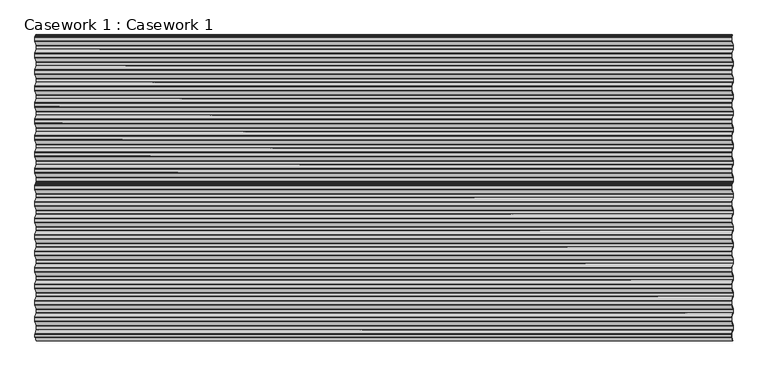
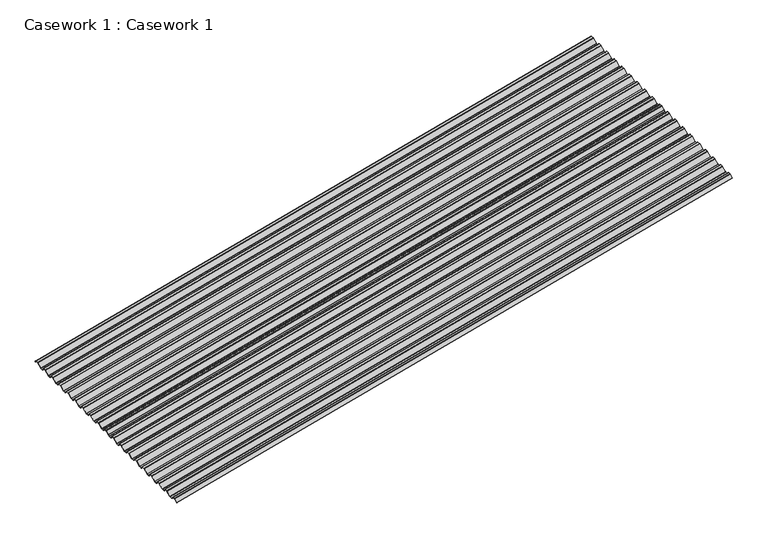
"""IFC4 building model written with IfcOpenShell, lengths in millimetres: furniture geometry, Casework 1 : Casework 1."""

import ifcopenshell
import ifcopenshell.guid

model = None  # the IFC model being written
_history = None  # IfcOwnerHistory: only IFC2X3 demands one
_inside = {}  # id of a spatial element -> (the spatial element, [elements in it])
_under = {}  # id of a project, library or spatial element -> (it, [spatial elements below it])
_declared = {}  # id of a project -> (the project, [libraries it declares])
_typed = {}  # id of a type object -> (the type object, [elements of that type])
_made_of = {}  # id of a material, layer set ... -> (it, [elements and type objects made of it])


def new_model(schema):
    """Start an empty IFC model of exactly this schema.

    Asked for "IFC4X3", IfcOpenShell would pick the latest addendum, in which some entities
    have other attributes; the version numbers below select the first issue.
    IFC2X3 requires an IfcOwnerHistory on every rooted entity: one is made here for all.
    """
    global model, _history
    if schema == "IFC4X3":
        model = ifcopenshell.file(schema_version=(4, 3, 0, 0))
    else:
        model = ifcopenshell.file(schema=schema)
    _inside.clear()
    _under.clear()
    _declared.clear()
    _typed.clear()
    _made_of.clear()
    _history = None
    if model.schema == "IFC2X3":
        org = make("IfcOrganization", Name="unknown")
        user = make(
            "IfcPersonAndOrganization",
            ThePerson=make("IfcPerson", FamilyName="unknown"),
            TheOrganization=org,
        )
        app = make(
            "IfcApplication",
            ApplicationDeveloper=org,
            Version="unknown",
            ApplicationFullName="unknown",
            ApplicationIdentifier="unknown",
        )
        _history = make(
            "IfcOwnerHistory",
            OwningUser=user,
            OwningApplication=app,
            ChangeAction="ADDED",
            CreationDate=0,
        )
    return model


def make(cls, **values):
    """One entity of the class cls with the attributes given. An attribute that is None is left unset."""
    return model.create_entity(
        cls, **{name: value for name, value in values.items() if value is not None}
    )


def rooted(cls, **values):
    """An entity with a GlobalId (a new one), such as an element, a storey or a relation."""
    return make(cls, GlobalId=ifcopenshell.guid.new(), OwnerHistory=_history, **values)


def si_unit(unit_type, name, prefix=None):
    """IfcSIUnit, for example si_unit("LENGTHUNIT", "METRE", prefix="MILLI")."""
    return make("IfcSIUnit", UnitType=unit_type, Prefix=prefix, Name=name)


def assignment(units):
    """IfcUnitAssignment: the units of a project."""
    return None if units is None else make("IfcUnitAssignment", Units=units)


def point(xyz):
    """IfcCartesianPoint."""
    return None if xyz is None else make("IfcCartesianPoint", Coordinates=xyz)


def direction(xyz):
    """IfcDirection."""
    return None if xyz is None else make("IfcDirection", DirectionRatios=xyz)


def frame(location, z_axis=None, x_axis=None):
    """IfcAxis2Placement3D, a coordinate frame: its origin and axes. An axis left out is left unset."""
    return make(
        "IfcAxis2Placement3D",
        Location=point(location),
        Axis=direction(z_axis),
        RefDirection=direction(x_axis),
    )


def frame_2d(location, x_axis=None):
    """IfcAxis2Placement2D, a coordinate frame in the plane: its origin and x axis."""
    return make(
        "IfcAxis2Placement2D", Location=point(location), RefDirection=direction(x_axis)
    )


def origin():
    """The frame at (0, 0, 0) with its axes left unset."""
    return frame((0.0, 0.0, 0.0))


def place(relative_to, where):
    """IfcLocalPlacement: puts the frame where relative to a parent placement (None: the world)."""
    return make(
        "IfcLocalPlacement", PlacementRelTo=relative_to, RelativePlacement=where
    )


def context(
    kind, dimensions, precision=None, world=None, true_north=None, identifier=None
):
    """IfcGeometricRepresentationContext, for example the 3D "Model" context."""
    return make(
        "IfcGeometricRepresentationContext",
        ContextIdentifier=identifier,
        ContextType=kind,
        CoordinateSpaceDimension=dimensions,
        Precision=precision,
        WorldCoordinateSystem=world,
        TrueNorth=true_north,
    )


def project(units=None, contexts=None):
    """IfcProject with its units and contexts."""
    return rooted(
        "IfcProject",
        Name="project",
        RepresentationContexts=contexts,
        UnitsInContext=assignment(units),
    )


def spatial(cls, under=None, at=None, **own):
    """A site, building, storey or space (cls), placed at a placement, below another one or the project."""
    s = rooted(cls, ObjectPlacement=at, **own)
    if under is not None:
        _under.setdefault(under.id(), (under, []))[1].append(s)
    return s


def polyline(points):
    """IfcPolyline through the points."""
    return make("IfcPolyline", Points=[point(p) for p in points])


def circle_curve(where, radius):
    """IfcCircle in the frame where."""
    return make("IfcCircle", Position=where, Radius=radius)


def trimmed(basis, trim1, trim2, sense, master):
    """IfcTrimmedCurve: the piece of a basis curve between two trims."""
    return make(
        "IfcTrimmedCurve",
        BasisCurve=basis,
        Trim1=trim1,
        Trim2=trim2,
        SenseAgreement=sense,
        MasterRepresentation=master,
    )


def segment(curve, same_sense, transition):
    """IfcCompositeCurveSegment."""
    return make(
        "IfcCompositeCurveSegment",
        Transition=transition,
        SameSense=same_sense,
        ParentCurve=curve,
    )


def composite_curve(segments, self_intersect=None):
    """IfcCompositeCurve: segments joined end to end."""
    return make("IfcCompositeCurve", Segments=segments, SelfIntersect=self_intersect)


def outline(outer, holes=None, kind="AREA"):
    """IfcArbitraryClosedProfileDef: a profile drawn as a closed curve; with holes, ...WithVoids."""
    if holes is None:
        return make("IfcArbitraryClosedProfileDef", ProfileType=kind, OuterCurve=outer)
    return make(
        "IfcArbitraryProfileDefWithVoids",
        ProfileType=kind,
        OuterCurve=outer,
        InnerCurves=holes,
    )


def extrude(swept, where, along, depth):
    """IfcExtrudedAreaSolid: the profile swept, set in the frame where, extruded along a direction by depth."""
    return make(
        "IfcExtrudedAreaSolid",
        SweptArea=swept,
        Position=where,
        ExtrudedDirection=direction(along),
        Depth=depth,
    )


def shape(context_of_items, identifier, shape_type, items):
    """IfcShapeRepresentation: the items that make up one representation, for example the "Body"."""
    return make(
        "IfcShapeRepresentation",
        ContextOfItems=context_of_items,
        RepresentationIdentifier=identifier,
        RepresentationType=shape_type,
        Items=items,
    )


def source(mapping_origin, context_of_items, identifier, shape_type, items):
    """IfcRepresentationMap: a shape defined once, which mapped items show again and again."""
    return make(
        "IfcRepresentationMap",
        MappingOrigin=mapping_origin,
        MappedRepresentation=shape(context_of_items, identifier, shape_type, items),
    )


def transform(
    local_origin,
    x_axis=None,
    y_axis=None,
    z_axis=None,
    scale=None,
    scale2=None,
    scale3=None,
    uniform=True,
):
    """IfcCartesianTransformationOperator3D, or its non-uniform kind. x_axis, y_axis, z_axis: its Axis1, 2, 3."""
    if uniform:
        return make(
            "IfcCartesianTransformationOperator3D",
            Axis1=direction(x_axis),
            Axis2=direction(y_axis),
            LocalOrigin=point(local_origin),
            Scale=scale,
            Axis3=direction(z_axis),
        )
    return make(
        "IfcCartesianTransformationOperator3DnonUniform",
        Axis1=direction(x_axis),
        Axis2=direction(y_axis),
        LocalOrigin=point(local_origin),
        Scale=scale,
        Axis3=direction(z_axis),
        Scale2=scale2,
        Scale3=scale3,
    )


def mapped(mapping_source, mapping_target):
    """IfcMappedItem: shows the shape of a source again, moved by a transform."""
    return make(
        "IfcMappedItem", MappingSource=mapping_source, MappingTarget=mapping_target
    )


def made_of(thing, what):
    """Note that an element or type object is made of a material, layer set ...; save() writes the relation."""
    if what is not None:
        _made_of.setdefault(what.id(), (what, []))[1].append(thing)
    return thing


def element(
    cls,
    number,
    at=None,
    inside=None,
    cuts=None,
    type_object=None,
    material=None,
    context=None,
    identifier="Body",
    shape_type=None,
    held_by="IfcProductDefinitionShape",
    body=None,
    shapes=None,
    **own,
):
    """One element of the class cls, such as IfcWall. Its Tag is "e" and its number.

    at: its placement. inside: the storey or other place that contains it. cuts: it is an
    opening in that element (IfcRelVoidsElement). A single representation is given by context,
    identifier, shape_type and body (its items); several are given by shapes. held_by: the class
    of the entity that holds the representations. save() writes the other relations.
    """
    e = rooted(cls, Tag="e%d" % number, ObjectPlacement=at, **own)
    if body is not None:
        shapes = [shape(context, identifier, shape_type, body)]
    if shapes is not None:
        e.Representation = make(held_by, Representations=shapes)
    if inside is not None:
        _inside.setdefault(inside.id(), (inside, []))[1].append(e)
    if cuts is not None:
        rooted(
            "IfcRelVoidsElement", RelatingBuildingElement=cuts, RelatedOpeningElement=e
        )
    if type_object is not None:
        _typed.setdefault(type_object.id(), (type_object, []))[1].append(e)
    return made_of(e, material)


def aggregate(whole, parts):
    """IfcRelAggregates: a whole, such as a stair, and the parts it consists of."""
    return rooted("IfcRelAggregates", RelatingObject=whole, RelatedObjects=parts)


def save(model, path):
    """Write the relations noted so far, then the file.

    IfcRelAggregates (storeys below a building ...), IfcRelContainedInSpatialStructure (elements
    in a storey), IfcRelDefinesByType, IfcRelAssociatesMaterial and IfcRelDeclares: one each for
    every whole, place, type object, material and project.
    """
    for whole, parts in _under.values():
        aggregate(whole, parts)
    for where, things in _inside.values():
        rooted(
            "IfcRelContainedInSpatialStructure",
            RelatedElements=things,
            RelatingStructure=where,
        )
    for kind, things in _typed.values():
        rooted("IfcRelDefinesByType", RelatedObjects=things, RelatingType=kind)
    for what, things in _made_of.values():
        rooted("IfcRelAssociatesMaterial", RelatedObjects=things, RelatingMaterial=what)
    for by, libraries in _declared.values():
        rooted("IfcRelDeclares", RelatingContext=by, RelatedDefinitions=libraries)
    model.write(path)


def casework_1_casework_1_7e22582c(model_context):
    return source(origin(), model_context, "Body", "SweptSolid", [
        extrude(outline(composite_curve([segment(polyline([(-18.2436099, -22.4266797), (-18.4490736, -24.6598886), (-16.2158647, -24.8653523), (-11.7967966, -30.1799547)]), True, "CONTINUOUS"), segment(trimmed(circle_curve(frame_2d((-9.5, -28.25)), 3.0), [point((-11.7967966, -30.1799547))], [point((-9.5, -31.2499999))], True, "CARTESIAN"), True, "CONTINUOUS"), segment(polyline([(-9.5, -31.2499999), (9.5000005, -31.2499994)]), True, "CONTINUOUS"), segment(trimmed(circle_curve(frame_2d((9.5000004, -28.2499995)), 3.0), [point((9.5000005, -31.2499994))], [point((11.7936508, -30.1836923))], True, "CARTESIAN"), True, "CONTINUOUS"), segment(polyline([(11.7936508, -30.1836923), (36.0417995, -1.4217428)]), True, "CONTINUOUS"), segment(trimmed(circle_curve(frame_2d((39.1, -4.0)), 4.0), [point((36.0417995, -1.4217428))], [point((39.1, 0.0))], False, "CARTESIAN"), True, "CONTINUOUS"), segment(polyline([(39.1, 0.0), (58.12, 0.0)]), True, "CONTINUOUS"), segment(trimmed(circle_curve(frame_2d((58.12, -4.0)), 4.0), [point((58.12, 0.0))], [point((61.1781997, -1.421742))], False, "CARTESIAN"), True, "CONTINUOUS"), segment(polyline([(61.1781997, -1.421742), (85.4212538, -30.1776317)]), True, "CONTINUOUS"), segment(trimmed(circle_curve(frame_2d((87.72, -28.2499995)), 3.0), [point((85.4212538, -30.1776317))], [point((87.7199999, -31.2499994))], True, "CARTESIAN"), True, "CONTINUOUS"), segment(polyline([(87.7199999, -31.2499994), (106.7199999, -31.2499999)]), True, "CONTINUOUS"), segment(trimmed(circle_curve(frame_2d((106.72, -28.25)), 3.0), [point((106.7199999, -31.2499999))], [point((109.0188258, -30.1775372))], True, "CARTESIAN"), True, "CONTINUOUS"), segment(polyline([(109.0188258, -30.1775372), (133.2566222, -1.4278964)]), True, "CONTINUOUS"), segment(trimmed(circle_curve(frame_2d((136.32, -4.0)), 4.0), [point((133.2566222, -1.4278964))], [point((136.32, 0.0))], False, "CARTESIAN"), True, "CONTINUOUS"), segment(polyline([(136.32, 0.0), (155.342, 0.0)]), True, "CONTINUOUS"), segment(trimmed(circle_curve(frame_2d((155.342, -4.0)), 4.0), [point((155.342, 0.0))], [point((158.4053777, -1.4278964))], False, "CARTESIAN"), True, "CONTINUOUS"), segment(polyline([(158.4053777, -1.4278964), (182.6432537, -30.1776317)]), True, "CONTINUOUS"), segment(trimmed(circle_curve(frame_2d((184.942, -28.2499995)), 3.0), [point((182.6432537, -30.1776317))], [point((184.942, -31.2499994))], True, "CARTESIAN"), True, "CONTINUOUS"), segment(polyline([(184.942, -31.2499994), (203.9402475, -31.2499994)]), True, "CONTINUOUS"), segment(trimmed(circle_curve(frame_2d((203.942, -28.25)), 3.0), [point((203.9402475, -31.2499994))], [point((206.2356503, -30.1836928))], True, "CARTESIAN"), True, "CONTINUOUS"), segment(polyline([(206.2356503, -30.1836928), (230.4837995, -1.4217428)]), True, "CONTINUOUS"), segment(trimmed(circle_curve(frame_2d((233.542, -4.0)), 4.0), [point((230.4837995, -1.4217428))], [point((233.542, 0.0))], False, "CARTESIAN"), True, "CONTINUOUS"), segment(polyline([(233.542, 0.0), (252.564, 0.0)]), True, "CONTINUOUS"), segment(trimmed(circle_curve(frame_2d((252.564, -4.0)), 4.0), [point((252.564, 0.0))], [point((255.6273777, -1.4278964))], False, "CARTESIAN"), True, "CONTINUOUS"), segment(polyline([(255.6273777, -1.4278964), (279.8652537, -30.1776317)]), True, "CONTINUOUS"), segment(trimmed(circle_curve(frame_2d((282.164, -28.2499995)), 3.0), [point((279.8652537, -30.1776317))], [point((282.164, -31.2499994))], True, "CARTESIAN"), True, "CONTINUOUS"), segment(polyline([(282.164, -31.2499994), (301.1622475, -31.2499994)]), True, "CONTINUOUS"), segment(trimmed(circle_curve(frame_2d((301.164, -28.25)), 3.0), [point((301.1622475, -31.2499994))], [point((303.4576499, -30.1836933))], True, "CARTESIAN"), True, "CONTINUOUS"), segment(polyline([(303.4576499, -30.1836933), (327.7006222, -1.4278964)]), True, "CONTINUOUS"), segment(trimmed(circle_curve(frame_2d((330.764, -4.0)), 4.0), [point((327.7006222, -1.4278964))], [point((330.764, 0.0))], False, "CARTESIAN"), True, "CONTINUOUS"), segment(polyline([(330.764, 0.0), (349.786, 0.0)]), True, "CONTINUOUS"), segment(trimmed(circle_curve(frame_2d((349.786, -4.0)), 4.0), [point((349.786, 0.0))], [point((352.8493777, -1.4278964))], False, "CARTESIAN"), True, "CONTINUOUS"), segment(polyline([(352.8493777, -1.4278964), (377.0872537, -30.1776317)]), True, "CONTINUOUS"), segment(trimmed(circle_curve(frame_2d((379.386, -28.2499995)), 3.0), [point((377.0872537, -30.1776317))], [point((379.3859999, -31.2499994))], True, "CARTESIAN"), True, "CONTINUOUS"), segment(polyline([(379.3859999, -31.2499994), (398.3859999, -31.2499999)]), True, "CONTINUOUS"), segment(trimmed(circle_curve(frame_2d((398.386, -28.25)), 3.0), [point((398.3859999, -31.2499999))], [point((400.6848258, -30.1775373))], True, "CARTESIAN"), True, "CONTINUOUS"), segment(polyline([(400.6848258, -30.1775373), (424.9278002, -1.421742)]), True, "CONTINUOUS"), segment(trimmed(circle_curve(frame_2d((427.986, -4.0)), 4.0), [point((424.9278002, -1.421742))], [point((427.986, 0.0))], False, "CARTESIAN"), True, "CONTINUOUS"), segment(polyline([(427.986, 0.0), (447.008, 0.0)]), True, "CONTINUOUS"), segment(trimmed(circle_curve(frame_2d((447.008, -4.0)), 4.0), [point((447.008, 0.0))], [point((450.0662005, -1.4217428))], False, "CARTESIAN"), True, "CONTINUOUS"), segment(polyline([(450.0662005, -1.4217428), (474.3143496, -30.1836928)]), True, "CONTINUOUS"), segment(trimmed(circle_curve(frame_2d((476.608, -28.25)), 3.0), [point((474.3143496, -30.1836928))], [point((476.608, -31.2499999))], True, "CARTESIAN"), True, "CONTINUOUS"), segment(polyline([(476.608, -31.2499999), (495.6080005, -31.2499994)]), True, "CONTINUOUS"), segment(trimmed(circle_curve(frame_2d((495.6080004, -28.2499995)), 3.0), [point((495.6080005, -31.2499994))], [point((497.9016503, -30.1836928))], True, "CARTESIAN"), True, "CONTINUOUS"), segment(polyline([(497.9016503, -30.1836928), (522.1446222, -1.4278964)]), True, "CONTINUOUS"), segment(trimmed(circle_curve(frame_2d((525.208, -4.0)), 4.0), [point((522.1446222, -1.4278964))], [point((525.208, 0.0))], False, "CARTESIAN"), True, "CONTINUOUS"), segment(polyline([(525.208, 0.0), (544.232, 0.0)]), True, "CONTINUOUS"), segment(trimmed(circle_curve(frame_2d((544.232, -4.0)), 4.0), [point((544.232, 0.0))], [point((547.2953777, -1.4278964))], False, "CARTESIAN"), True, "CONTINUOUS"), segment(polyline([(547.2953777, -1.4278964), (571.5332537, -30.1776317)]), True, "CONTINUOUS"), segment(trimmed(circle_curve(frame_2d((573.832, -28.2499995)), 3.0), [point((571.5332537, -30.1776317))], [point((573.8319999, -31.2499994))], True, "CARTESIAN"), True, "CONTINUOUS"), segment(polyline([(573.8319999, -31.2499994), (592.8319999, -31.2499999)]), True, "CONTINUOUS"), segment(trimmed(circle_curve(frame_2d((592.832, -28.25)), 3.0), [point((592.8319999, -31.2499999))], [point((595.1308258, -30.1775372))], True, "CARTESIAN"), True, "CONTINUOUS"), segment(polyline([(595.1308258, -30.1775372), (619.3686222, -1.4278964)]), True, "CONTINUOUS"), segment(trimmed(circle_curve(frame_2d((622.432, -4.0)), 4.0), [point((619.3686222, -1.4278964))], [point((622.432, 0.0))], False, "CARTESIAN"), True, "CONTINUOUS"), segment(polyline([(622.432, 0.0), (641.454, 0.0)]), True, "CONTINUOUS"), segment(trimmed(circle_curve(frame_2d((641.454, -4.0)), 4.0), [point((641.454, 0.0))], [point((644.5173777, -1.4278964))], False, "CARTESIAN"), True, "CONTINUOUS"), segment(polyline([(644.5173777, -1.4278964), (668.7552537, -30.1776317)]), True, "CONTINUOUS"), segment(trimmed(circle_curve(frame_2d((671.054, -28.2499995)), 3.0), [point((668.7552537, -30.1776317))], [point((671.0539999, -31.2499994))], True, "CARTESIAN"), True, "CONTINUOUS"), segment(polyline([(671.0539999, -31.2499994), (690.0539999, -31.2499999)]), True, "CONTINUOUS"), segment(trimmed(circle_curve(frame_2d((690.054, -28.25)), 3.0), [point((690.0539999, -31.2499999))], [point((692.3528258, -30.1775372))], True, "CARTESIAN"), True, "CONTINUOUS"), segment(polyline([(692.3528258, -30.1775372), (716.5906222, -1.4278964)]), True, "CONTINUOUS"), segment(trimmed(circle_curve(frame_2d((719.654, -4.0)), 4.0), [point((716.5906222, -1.4278964))], [point((719.654, 0.0))], False, "CARTESIAN"), True, "CONTINUOUS"), segment(polyline([(719.654, 0.0), (738.676, 0.0)]), True, "CONTINUOUS"), segment(trimmed(circle_curve(frame_2d((738.676, -4.0)), 4.0), [point((738.676, 0.0))], [point((741.7393777, -1.4278964))], False, "CARTESIAN"), True, "CONTINUOUS"), segment(polyline([(741.7393777, -1.4278964), (765.9772537, -30.1776317)]), True, "CONTINUOUS"), segment(trimmed(circle_curve(frame_2d((768.276, -28.2499995)), 3.0), [point((765.9772537, -30.1776317))], [point((768.2759999, -31.2499994))], True, "CARTESIAN"), True, "CONTINUOUS"), segment(polyline([(768.2759999, -31.2499994), (787.2759999, -31.2499999)]), True, "CONTINUOUS"), segment(trimmed(circle_curve(frame_2d((787.276, -28.25)), 3.0), [point((787.2759999, -31.2499999))], [point((789.5748258, -30.1775372))], True, "CARTESIAN"), True, "CONTINUOUS"), segment(polyline([(789.5748258, -30.1775372), (813.8126222, -1.4278964)]), True, "CONTINUOUS"), segment(trimmed(circle_curve(frame_2d((816.876, -4.0)), 4.0), [point((813.8126222, -1.4278964))], [point((816.876, 0.0))], False, "CARTESIAN"), True, "CONTINUOUS"), segment(polyline([(816.876, 0.0), (838.6568295, 0.0)]), True, "CONTINUOUS"), segment(trimmed(circle_curve(frame_2d((838.6568295, -4.0)), 4.0), [point((838.6568295, 0.0))], [point((841.7061337, -1.4112273))], False, "CARTESIAN"), True, "CONTINUOUS"), segment(polyline([(841.7061337, -1.4112273), (861.8350701, -25.25), (863.7304827, -25.25)]), True, "CONTINUOUS"), segment(trimmed(circle_curve(frame_2d((863.7304827, -27.2499999)), 2.0), [point((863.7304827, -25.25))], [point((865.2683143, -25.9712999))], False, "CARTESIAN"), True, "CONTINUOUS"), segment(polyline([(865.2683143, -25.9712999), (868.0010641, -29.2578479), (883.4536327, -29.25)]), True, "CONTINUOUS"), segment(trimmed(circle_curve(frame_2d((883.4536327, -26.25)), 3.0), [point((883.4536327, -29.25))], [point((885.7420901, -28.1898358))], True, "CARTESIAN"), True, "CONTINUOUS"), segment(polyline([(885.7420901, -28.1898358), (904.8739638, -5.4965708)]), True, "CONTINUOUS"), segment(trimmed(circle_curve(frame_2d((905.2059099, -5.8742903)), 0.5028521), [point((904.8739638, -5.4965708))], [point((905.5969394, -6.1904487))], False, "CARTESIAN"), True, "CONTINUOUS"), segment(polyline([(905.5969394, -6.1904487), (886.5178105, -28.8211504)]), True, "CONTINUOUS"), segment(trimmed(circle_curve(frame_2d((883.4536327, -26.25)), 4.0), [point((886.5178105, -28.8211504))], [point((883.4536327, -30.25))], False, "CARTESIAN"), True, "CONTINUOUS"), segment(polyline([(883.4536327, -30.25), (868.001572, -30.2578476)]), True, "CONTINUOUS"), segment(trimmed(circle_curve(frame_2d((868.0010641, -29.2578479)), 1.0), [point((868.001572, -30.2578476))], [point((867.2321483, -29.8971979))], False, "CARTESIAN"), True, "CONTINUOUS"), segment(polyline([(867.2321483, -29.8971979), (864.4993985, -26.6106499)]), True, "CONTINUOUS"), segment(trimmed(circle_curve(frame_2d((863.7304827, -27.2499999)), 1.0), [point((864.4993985, -26.6106499))], [point((863.7304827, -26.25))], True, "CARTESIAN"), True, "CONTINUOUS"), segment(polyline([(863.7304827, -26.25), (861.3706417, -26.25), (840.9549628, -2.0716371)]), True, "CONTINUOUS"), segment(trimmed(circle_curve(frame_2d((838.6568295, -4.0)), 3.0), [point((840.9549628, -2.0716371))], [point((838.6568295, -1.0))], True, "CARTESIAN"), True, "CONTINUOUS"), segment(polyline([(838.6568295, -1.0), (816.876, -1.0)]), True, "CONTINUOUS"), segment(trimmed(circle_curve(frame_2d((816.876, -4.0)), 3.0), [point((816.876, -1.0))], [point((814.5778666, -2.0716371))], True, "CARTESIAN"), True, "CONTINUOUS"), segment(polyline([(814.5778666, -2.0716371), (790.3401777, -30.8211505)]), True, "CONTINUOUS"), segment(trimmed(circle_curve(frame_2d((787.276, -28.25)), 4.0), [point((790.3401777, -30.8211505))], [point((787.276, -32.25))], False, "CARTESIAN"), True, "CONTINUOUS"), segment(polyline([(787.276, -32.25), (768.276, -32.25)]), True, "CONTINUOUS"), segment(trimmed(circle_curve(frame_2d((768.276, -28.25)), 4.0), [point((768.276, -32.25))], [point((765.2118222, -30.8211505))], False, "CARTESIAN"), True, "CONTINUOUS"), segment(polyline([(765.2118222, -30.8211505), (740.9741333, -2.0716371)]), True, "CONTINUOUS"), segment(trimmed(circle_curve(frame_2d((738.676, -4.0)), 3.0), [point((740.9741333, -2.0716371))], [point((738.676, -1.0))], True, "CARTESIAN"), True, "CONTINUOUS"), segment(polyline([(738.676, -1.0), (719.654, -1.0)]), True, "CONTINUOUS"), segment(trimmed(circle_curve(frame_2d((719.654, -4.0)), 3.0), [point((719.654, -1.0))], [point((717.3558666, -2.0716371))], True, "CARTESIAN"), True, "CONTINUOUS"), segment(polyline([(717.3558666, -2.0716371), (693.1181777, -30.8211505)]), True, "CONTINUOUS"), segment(trimmed(circle_curve(frame_2d((690.054, -28.25)), 4.0), [point((693.1181777, -30.8211505))], [point((690.054, -32.25))], False, "CARTESIAN"), True, "CONTINUOUS"), segment(polyline([(690.054, -32.25), (671.054, -32.25)]), True, "CONTINUOUS"), segment(trimmed(circle_curve(frame_2d((671.054, -28.25)), 4.0), [point((671.054, -32.25))], [point((667.9898222, -30.8211505))], False, "CARTESIAN"), True, "CONTINUOUS"), segment(polyline([(667.9898222, -30.8211505), (643.7521333, -2.0716371)]), True, "CONTINUOUS"), segment(trimmed(circle_curve(frame_2d((641.454, -4.0)), 3.0), [point((643.7521333, -2.0716371))], [point((641.454, -1.0))], True, "CARTESIAN"), True, "CONTINUOUS"), segment(polyline([(641.454, -1.0), (622.432, -1.0)]), True, "CONTINUOUS"), segment(trimmed(circle_curve(frame_2d((622.432, -4.0)), 3.0), [point((622.432, -1.0))], [point((620.1338666, -2.0716371))], True, "CARTESIAN"), True, "CONTINUOUS"), segment(polyline([(620.1338666, -2.0716371), (595.8961777, -30.8211505)]), True, "CONTINUOUS"), segment(trimmed(circle_curve(frame_2d((592.832, -28.25)), 4.0), [point((595.8961777, -30.8211505))], [point((592.832, -32.25))], False, "CARTESIAN"), True, "CONTINUOUS"), segment(polyline([(592.832, -32.25), (573.832, -32.25)]), True, "CONTINUOUS"), segment(trimmed(circle_curve(frame_2d((573.832, -28.25)), 4.0), [point((573.832, -32.25))], [point((570.7678222, -30.8211505))], False, "CARTESIAN"), True, "CONTINUOUS"), segment(polyline([(570.7678222, -30.8211505), (546.5301333, -2.0716371)]), True, "CONTINUOUS"), segment(trimmed(circle_curve(frame_2d((544.232, -4.0)), 3.0), [point((546.5301333, -2.0716371))], [point((544.232, -1.0))], True, "CARTESIAN"), True, "CONTINUOUS"), segment(polyline([(544.232, -1.0), (525.208, -1.0)]), True, "CONTINUOUS"), segment(trimmed(circle_curve(frame_2d((525.208, -4.0)), 3.0), [point((525.208, -1.0))], [point((522.9098666, -2.0716371))], True, "CARTESIAN"), True, "CONTINUOUS"), segment(polyline([(522.9098666, -2.0716371), (498.6661999, -30.8282577)]), True, "CONTINUOUS"), segment(trimmed(circle_curve(frame_2d((495.608, -28.25)), 4.0), [point((498.6661999, -30.8282577))], [point((495.608, -32.25))], False, "CARTESIAN"), True, "CONTINUOUS"), segment(polyline([(495.608, -32.25), (476.608, -32.25)]), True, "CONTINUOUS"), segment(trimmed(circle_curve(frame_2d((476.608, -28.25)), 4.0), [point((476.608, -32.25))], [point((473.5497995, -30.8282571))], False, "CARTESIAN"), True, "CONTINUOUS"), segment(polyline([(473.5497995, -30.8282571), (449.3016503, -2.0663071)]), True, "CONTINUOUS"), segment(trimmed(circle_curve(frame_2d((447.008, -4.0)), 3.0), [point((449.3016503, -2.0663071))], [point((447.008, -1.0))], True, "CARTESIAN"), True, "CONTINUOUS"), segment(polyline([(447.008, -1.0), (427.986, -1.0)]), True, "CONTINUOUS"), segment(trimmed(circle_curve(frame_2d((427.986, -4.0)), 3.0), [point((427.986, -1.0))], [point((425.6923501, -2.0663065))], True, "CARTESIAN"), True, "CONTINUOUS"), segment(polyline([(425.6923501, -2.0663065), (401.4501777, -30.8211505)]), True, "CONTINUOUS"), segment(trimmed(circle_curve(frame_2d((398.386, -28.25)), 4.0), [point((401.4501777, -30.8211505))], [point((398.386, -32.25))], False, "CARTESIAN"), True, "CONTINUOUS"), segment(polyline([(398.386, -32.25), (379.386, -32.25)]), True, "CONTINUOUS"), segment(trimmed(circle_curve(frame_2d((379.386, -28.25)), 4.0), [point((379.386, -32.25))], [point((376.3218222, -30.8211505))], False, "CARTESIAN"), True, "CONTINUOUS"), segment(polyline([(376.3218222, -30.8211505), (352.0841333, -2.0716371)]), True, "CONTINUOUS"), segment(trimmed(circle_curve(frame_2d((349.786, -4.0)), 3.0), [point((352.0841333, -2.0716371))], [point((349.786, -1.0))], True, "CARTESIAN"), True, "CONTINUOUS"), segment(polyline([(349.786, -1.0), (330.764, -1.0)]), True, "CONTINUOUS"), segment(trimmed(circle_curve(frame_2d((330.764, -4.0)), 3.0), [point((330.764, -1.0))], [point((328.4658666, -2.0716371))], True, "CARTESIAN"), True, "CONTINUOUS"), segment(polyline([(328.4658666, -2.0716371), (304.2221999, -30.8282577)]), True, "CONTINUOUS"), segment(trimmed(circle_curve(frame_2d((301.164, -28.25)), 4.0), [point((304.2221999, -30.8282577))], [point((301.164, -32.25))], False, "CARTESIAN"), True, "CONTINUOUS"), segment(polyline([(301.164, -32.25), (282.164, -32.25)]), True, "CONTINUOUS"), segment(trimmed(circle_curve(frame_2d((282.164, -28.25)), 4.0), [point((282.164, -32.25))], [point((279.0998222, -30.8211505))], False, "CARTESIAN"), True, "CONTINUOUS"), segment(polyline([(279.0998222, -30.8211505), (254.8621333, -2.0716371)]), True, "CONTINUOUS"), segment(trimmed(circle_curve(frame_2d((252.564, -4.0)), 3.0), [point((254.8621333, -2.0716371))], [point((252.564, -1.0))], True, "CARTESIAN"), True, "CONTINUOUS"), segment(polyline([(252.564, -1.0), (233.542, -1.0)]), True, "CONTINUOUS"), segment(trimmed(circle_curve(frame_2d((233.542, -4.0)), 3.0), [point((233.542, -1.0))], [point((231.2483496, -2.0663071))], True, "CARTESIAN"), True, "CONTINUOUS"), segment(polyline([(231.2483496, -2.0663071), (207.0002005, -30.8282571)]), True, "CONTINUOUS"), segment(trimmed(circle_curve(frame_2d((203.942, -28.25)), 4.0), [point((207.0002005, -30.8282571))], [point((203.942, -32.25))], False, "CARTESIAN"), True, "CONTINUOUS"), segment(polyline([(203.942, -32.25), (184.942, -32.25)]), True, "CONTINUOUS"), segment(trimmed(circle_curve(frame_2d((184.942, -28.25)), 4.0), [point((184.942, -32.25))], [point((181.8778222, -30.8211505))], False, "CARTESIAN"), True, "CONTINUOUS"), segment(polyline([(181.8778222, -30.8211505), (157.6401333, -2.0716371)]), True, "CONTINUOUS"), segment(trimmed(circle_curve(frame_2d((155.342, -4.0)), 3.0), [point((157.6401333, -2.0716371))], [point((155.342, -1.0))], True, "CARTESIAN"), True, "CONTINUOUS"), segment(polyline([(155.342, -1.0), (136.32, -1.0)]), True, "CONTINUOUS"), segment(trimmed(circle_curve(frame_2d((136.32, -4.0)), 3.0), [point((136.32, -1.0))], [point((134.0218666, -2.0716371))], True, "CARTESIAN"), True, "CONTINUOUS"), segment(polyline([(134.0218666, -2.0716371), (109.7841777, -30.8211505)]), True, "CONTINUOUS"), segment(trimmed(circle_curve(frame_2d((106.72, -28.25)), 4.0), [point((109.7841777, -30.8211505))], [point((106.72, -32.25))], False, "CARTESIAN"), True, "CONTINUOUS"), segment(polyline([(106.72, -32.25), (87.72, -32.25)]), True, "CONTINUOUS"), segment(trimmed(circle_curve(frame_2d((87.72, -28.25)), 4.0), [point((87.72, -32.25))], [point((84.6558222, -30.8211505))], False, "CARTESIAN"), True, "CONTINUOUS"), segment(polyline([(84.6558222, -30.8211505), (60.4136498, -2.0663065)]), True, "CONTINUOUS"), segment(trimmed(circle_curve(frame_2d((58.12, -4.0)), 3.0), [point((60.4136498, -2.0663065))], [point((58.12, -1.0))], True, "CARTESIAN"), True, "CONTINUOUS"), segment(polyline([(58.12, -1.0), (39.1, -1.0)]), True, "CONTINUOUS"), segment(trimmed(circle_curve(frame_2d((39.1, -4.0)), 3.0), [point((39.1, -1.0))], [point((36.8063496, -2.0663071))], True, "CARTESIAN"), True, "CONTINUOUS"), segment(polyline([(36.8063496, -2.0663071), (12.5582005, -30.8282571)]), True, "CONTINUOUS"), segment(trimmed(circle_curve(frame_2d((9.5, -28.25)), 4.0), [point((12.5582005, -30.8282571))], [point((9.5, -32.25))], False, "CARTESIAN"), True, "CONTINUOUS"), segment(polyline([(9.5, -32.25), (-9.5, -32.25)]), True, "CONTINUOUS"), segment(trimmed(circle_curve(frame_2d((-9.5, -28.25)), 4.0), [point((-9.5, -32.25))], [point((-12.5641778, -30.8211505))], False, "CARTESIAN"), True, "CONTINUOUS"), segment(polyline([(-12.5641778, -30.8211505), (-16.719953, -25.8231976), (-18.8323518, -25.628849), (-19.4717019, -24.8599331), (-19.2773532, -22.7475344), (-23.4331284, -17.7495815)]), True, "CONTINUOUS"), segment(trimmed(circle_curve(frame_2d((-23.0454162, -17.4272006)), 0.5042323), [point((-23.4331284, -17.7495815))], [point((-22.7230352, -17.0394883))], False, "CARTESIAN"), True, "CONTINUOUS"), segment(polyline([(-22.7230352, -17.0394883), (-18.2436099, -22.4266797)]), True, "CONTINUOUS")], self_intersect=False)), frame((-900.7024995, 1840.8164863, 5069.684833), z_axis=(0.9659258262891571, 0.0, 0.25881904510218945), x_axis=(0.0, -1.0, 0.0)), (0.0, 0.0, 1.0), 4250.0),
        extrude(outline(composite_curve([segment(polyline([(-18.2436099, -22.4266797), (-18.4490736, -24.6598886), (-16.2158647, -24.8653523), (-11.7967966, -30.1799547)]), True, "CONTINUOUS"), segment(trimmed(circle_curve(frame_2d((-9.5, -28.25)), 3.0), [point((-11.7967966, -30.1799547))], [point((-9.5, -31.2499999))], True, "CARTESIAN"), True, "CONTINUOUS"), segment(polyline([(-9.5, -31.2499999), (9.5000005, -31.2499994)]), True, "CONTINUOUS"), segment(trimmed(circle_curve(frame_2d((9.5000004, -28.2499995)), 3.0), [point((9.5000005, -31.2499994))], [point((11.7936508, -30.1836923))], True, "CARTESIAN"), True, "CONTINUOUS"), segment(polyline([(11.7936508, -30.1836923), (36.0417995, -1.4217428)]), True, "CONTINUOUS"), segment(trimmed(circle_curve(frame_2d((39.1, -4.0)), 4.0), [point((36.0417995, -1.4217428))], [point((39.1, 0.0))], False, "CARTESIAN"), True, "CONTINUOUS"), segment(polyline([(39.1, 0.0), (58.12, 0.0)]), True, "CONTINUOUS"), segment(trimmed(circle_curve(frame_2d((58.12, -4.0)), 4.0), [point((58.12, 0.0))], [point((61.1781997, -1.421742))], False, "CARTESIAN"), True, "CONTINUOUS"), segment(polyline([(61.1781997, -1.421742), (85.4212538, -30.1776317)]), True, "CONTINUOUS"), segment(trimmed(circle_curve(frame_2d((87.72, -28.2499995)), 3.0), [point((85.4212538, -30.1776317))], [point((87.7199999, -31.2499994))], True, "CARTESIAN"), True, "CONTINUOUS"), segment(polyline([(87.7199999, -31.2499994), (106.7199999, -31.2499999)]), True, "CONTINUOUS"), segment(trimmed(circle_curve(frame_2d((106.72, -28.25)), 3.0), [point((106.7199999, -31.2499999))], [point((109.0188258, -30.1775372))], True, "CARTESIAN"), True, "CONTINUOUS"), segment(polyline([(109.0188258, -30.1775372), (133.2566222, -1.4278964)]), True, "CONTINUOUS"), segment(trimmed(circle_curve(frame_2d((136.32, -4.0)), 4.0), [point((133.2566222, -1.4278964))], [point((136.32, 0.0))], False, "CARTESIAN"), True, "CONTINUOUS"), segment(polyline([(136.32, 0.0), (155.342, 0.0)]), True, "CONTINUOUS"), segment(trimmed(circle_curve(frame_2d((155.342, -4.0)), 4.0), [point((155.342, 0.0))], [point((158.4053777, -1.4278964))], False, "CARTESIAN"), True, "CONTINUOUS"), segment(polyline([(158.4053777, -1.4278964), (182.6432537, -30.1776317)]), True, "CONTINUOUS"), segment(trimmed(circle_curve(frame_2d((184.942, -28.2499995)), 3.0), [point((182.6432537, -30.1776317))], [point((184.942, -31.2499994))], True, "CARTESIAN"), True, "CONTINUOUS"), segment(polyline([(184.942, -31.2499994), (203.9402476, -31.2499994)]), True, "CONTINUOUS"), segment(trimmed(circle_curve(frame_2d((203.942, -28.25)), 3.0), [point((203.9402476, -31.2499994))], [point((206.2356503, -30.1836928))], True, "CARTESIAN"), True, "CONTINUOUS"), segment(polyline([(206.2356503, -30.1836928), (230.4837995, -1.4217428)]), True, "CONTINUOUS"), segment(trimmed(circle_curve(frame_2d((233.542, -4.0)), 4.0), [point((230.4837995, -1.4217428))], [point((233.542, 0.0))], False, "CARTESIAN"), True, "CONTINUOUS"), segment(polyline([(233.542, 0.0), (252.564, 0.0)]), True, "CONTINUOUS"), segment(trimmed(circle_curve(frame_2d((252.564, -4.0)), 4.0), [point((252.564, 0.0))], [point((255.6273777, -1.4278964))], False, "CARTESIAN"), True, "CONTINUOUS"), segment(polyline([(255.6273777, -1.4278964), (279.8652537, -30.1776317)]), True, "CONTINUOUS"), segment(trimmed(circle_curve(frame_2d((282.164, -28.2499995)), 3.0), [point((279.8652537, -30.1776317))], [point((282.164, -31.2499994))], True, "CARTESIAN"), True, "CONTINUOUS"), segment(polyline([(282.164, -31.2499994), (301.1622476, -31.2499994)]), True, "CONTINUOUS"), segment(trimmed(circle_curve(frame_2d((301.164, -28.25)), 3.0), [point((301.1622476, -31.2499994))], [point((303.4576499, -30.1836933))], True, "CARTESIAN"), True, "CONTINUOUS"), segment(polyline([(303.4576499, -30.1836933), (327.7006222, -1.4278964)]), True, "CONTINUOUS"), segment(trimmed(circle_curve(frame_2d((330.764, -4.0)), 4.0), [point((327.7006222, -1.4278964))], [point((330.764, 0.0))], False, "CARTESIAN"), True, "CONTINUOUS"), segment(polyline([(330.764, 0.0), (349.786, 0.0)]), True, "CONTINUOUS"), segment(trimmed(circle_curve(frame_2d((349.786, -4.0)), 4.0), [point((349.786, 0.0))], [point((352.8493777, -1.4278964))], False, "CARTESIAN"), True, "CONTINUOUS"), segment(polyline([(352.8493777, -1.4278964), (377.0872537, -30.1776317)]), True, "CONTINUOUS"), segment(trimmed(circle_curve(frame_2d((379.386, -28.2499995)), 3.0), [point((377.0872537, -30.1776317))], [point((379.3859999, -31.2499994))], True, "CARTESIAN"), True, "CONTINUOUS"), segment(polyline([(379.3859999, -31.2499994), (398.3859999, -31.2499999)]), True, "CONTINUOUS"), segment(trimmed(circle_curve(frame_2d((398.386, -28.25)), 3.0), [point((398.3859999, -31.2499999))], [point((400.6848258, -30.1775373))], True, "CARTESIAN"), True, "CONTINUOUS"), segment(polyline([(400.6848258, -30.1775373), (424.9278002, -1.421742)]), True, "CONTINUOUS"), segment(trimmed(circle_curve(frame_2d((427.986, -4.0)), 4.0), [point((424.9278002, -1.421742))], [point((427.986, 0.0))], False, "CARTESIAN"), True, "CONTINUOUS"), segment(polyline([(427.986, 0.0), (447.008, 0.0)]), True, "CONTINUOUS"), segment(trimmed(circle_curve(frame_2d((447.008, -4.0)), 4.0), [point((447.008, 0.0))], [point((450.0662005, -1.4217428))], False, "CARTESIAN"), True, "CONTINUOUS"), segment(polyline([(450.0662005, -1.4217428), (474.3143496, -30.1836928)]), True, "CONTINUOUS"), segment(trimmed(circle_curve(frame_2d((476.608, -28.25)), 3.0), [point((474.3143496, -30.1836928))], [point((476.608, -31.2499999))], True, "CARTESIAN"), True, "CONTINUOUS"), segment(polyline([(476.608, -31.2499999), (495.6080005, -31.2499994)]), True, "CONTINUOUS"), segment(trimmed(circle_curve(frame_2d((495.6080004, -28.2499995)), 3.0), [point((495.6080005, -31.2499994))], [point((497.9016504, -30.1836928))], True, "CARTESIAN"), True, "CONTINUOUS"), segment(polyline([(497.9016504, -30.1836928), (522.1446222, -1.4278964)]), True, "CONTINUOUS"), segment(trimmed(circle_curve(frame_2d((525.208, -4.0)), 4.0), [point((522.1446222, -1.4278964))], [point((525.208, 0.0))], False, "CARTESIAN"), True, "CONTINUOUS"), segment(polyline([(525.208, 0.0), (544.232, 0.0)]), True, "CONTINUOUS"), segment(trimmed(circle_curve(frame_2d((544.232, -4.0)), 4.0), [point((544.232, 0.0))], [point((547.2953777, -1.4278964))], False, "CARTESIAN"), True, "CONTINUOUS"), segment(polyline([(547.2953777, -1.4278964), (571.5332537, -30.1776317)]), True, "CONTINUOUS"), segment(trimmed(circle_curve(frame_2d((573.832, -28.2499995)), 3.0), [point((571.5332537, -30.1776317))], [point((573.8319999, -31.2499994))], True, "CARTESIAN"), True, "CONTINUOUS"), segment(polyline([(573.8319999, -31.2499994), (592.8319999, -31.2499999)]), True, "CONTINUOUS"), segment(trimmed(circle_curve(frame_2d((592.832, -28.25)), 3.0), [point((592.8319999, -31.2499999))], [point((595.1308258, -30.1775372))], True, "CARTESIAN"), True, "CONTINUOUS"), segment(polyline([(595.1308258, -30.1775372), (619.3686222, -1.4278964)]), True, "CONTINUOUS"), segment(trimmed(circle_curve(frame_2d((622.432, -4.0)), 4.0), [point((619.3686222, -1.4278964))], [point((622.432, 0.0))], False, "CARTESIAN"), True, "CONTINUOUS"), segment(polyline([(622.432, 0.0), (641.454, 0.0)]), True, "CONTINUOUS"), segment(trimmed(circle_curve(frame_2d((641.454, -4.0)), 4.0), [point((641.454, 0.0))], [point((644.5173777, -1.4278964))], False, "CARTESIAN"), True, "CONTINUOUS"), segment(polyline([(644.5173777, -1.4278964), (668.7552537, -30.1776317)]), True, "CONTINUOUS"), segment(trimmed(circle_curve(frame_2d((671.054, -28.2499995)), 3.0), [point((668.7552537, -30.1776317))], [point((671.0539999, -31.2499994))], True, "CARTESIAN"), True, "CONTINUOUS"), segment(polyline([(671.0539999, -31.2499994), (690.0539999, -31.2499999)]), True, "CONTINUOUS"), segment(trimmed(circle_curve(frame_2d((690.054, -28.25)), 3.0), [point((690.0539999, -31.2499999))], [point((692.3528258, -30.1775372))], True, "CARTESIAN"), True, "CONTINUOUS"), segment(polyline([(692.3528258, -30.1775372), (716.5906222, -1.4278964)]), True, "CONTINUOUS"), segment(trimmed(circle_curve(frame_2d((719.654, -4.0)), 4.0), [point((716.5906222, -1.4278964))], [point((719.654, 0.0))], False, "CARTESIAN"), True, "CONTINUOUS"), segment(polyline([(719.654, 0.0), (738.676, 0.0)]), True, "CONTINUOUS"), segment(trimmed(circle_curve(frame_2d((738.676, -4.0)), 4.0), [point((738.676, 0.0))], [point((741.7393777, -1.4278964))], False, "CARTESIAN"), True, "CONTINUOUS"), segment(polyline([(741.7393777, -1.4278964), (765.9772537, -30.1776317)]), True, "CONTINUOUS"), segment(trimmed(circle_curve(frame_2d((768.276, -28.2499995)), 3.0), [point((765.9772537, -30.1776317))], [point((768.2759999, -31.2499994))], True, "CARTESIAN"), True, "CONTINUOUS"), segment(polyline([(768.2759999, -31.2499994), (787.2759999, -31.2499999)]), True, "CONTINUOUS"), segment(trimmed(circle_curve(frame_2d((787.276, -28.25)), 3.0), [point((787.2759999, -31.2499999))], [point((789.5748258, -30.1775372))], True, "CARTESIAN"), True, "CONTINUOUS"), segment(polyline([(789.5748258, -30.1775372), (813.8126222, -1.4278964)]), True, "CONTINUOUS"), segment(trimmed(circle_curve(frame_2d((816.876, -4.0)), 4.0), [point((813.8126222, -1.4278964))], [point((816.876, 0.0))], False, "CARTESIAN"), True, "CONTINUOUS"), segment(polyline([(816.876, 0.0), (838.6568295, 0.0)]), True, "CONTINUOUS"), segment(trimmed(circle_curve(frame_2d((838.6568295, -4.0)), 4.0), [point((838.6568295, 0.0))], [point((841.7061337, -1.4112273))], False, "CARTESIAN"), True, "CONTINUOUS"), segment(polyline([(841.7061337, -1.4112273), (861.8350701, -25.25), (863.7304827, -25.25)]), True, "CONTINUOUS"), segment(trimmed(circle_curve(frame_2d((863.7304827, -27.2499999)), 2.0), [point((863.7304827, -25.25))], [point((865.2683143, -25.9712999))], False, "CARTESIAN"), True, "CONTINUOUS"), segment(polyline([(865.2683143, -25.9712999), (868.0010641, -29.2578479), (883.4536327, -29.25)]), True, "CONTINUOUS"), segment(trimmed(circle_curve(frame_2d((883.4536327, -26.25)), 3.0), [point((883.4536327, -29.25))], [point((885.7420901, -28.1898358))], True, "CARTESIAN"), True, "CONTINUOUS"), segment(polyline([(885.7420901, -28.1898358), (904.8739638, -5.4965708)]), True, "CONTINUOUS"), segment(trimmed(circle_curve(frame_2d((905.2059099, -5.8742903)), 0.5028521), [point((904.8739638, -5.4965708))], [point((905.5969394, -6.1904487))], False, "CARTESIAN"), True, "CONTINUOUS"), segment(polyline([(905.5969394, -6.1904487), (886.5178105, -28.8211504)]), True, "CONTINUOUS"), segment(trimmed(circle_curve(frame_2d((883.4536327, -26.25)), 4.0), [point((886.5178105, -28.8211504))], [point((883.4536327, -30.25))], False, "CARTESIAN"), True, "CONTINUOUS"), segment(polyline([(883.4536327, -30.25), (868.001572, -30.2578476)]), True, "CONTINUOUS"), segment(trimmed(circle_curve(frame_2d((868.0010641, -29.2578479)), 1.0), [point((868.001572, -30.2578476))], [point((867.2321483, -29.8971979))], False, "CARTESIAN"), True, "CONTINUOUS"), segment(polyline([(867.2321483, -29.8971979), (864.4993985, -26.6106499)]), True, "CONTINUOUS"), segment(trimmed(circle_curve(frame_2d((863.7304827, -27.2499999)), 1.0), [point((864.4993985, -26.6106499))], [point((863.7304827, -26.25))], True, "CARTESIAN"), True, "CONTINUOUS"), segment(polyline([(863.7304827, -26.25), (861.3706417, -26.25), (840.9549628, -2.0716371)]), True, "CONTINUOUS"), segment(trimmed(circle_curve(frame_2d((838.6568295, -4.0)), 3.0), [point((840.9549628, -2.0716371))], [point((838.6568295, -1.0))], True, "CARTESIAN"), True, "CONTINUOUS"), segment(polyline([(838.6568295, -1.0), (816.876, -1.0)]), True, "CONTINUOUS"), segment(trimmed(circle_curve(frame_2d((816.876, -4.0)), 3.0), [point((816.876, -1.0))], [point((814.5778666, -2.0716371))], True, "CARTESIAN"), True, "CONTINUOUS"), segment(polyline([(814.5778666, -2.0716371), (790.3401777, -30.8211505)]), True, "CONTINUOUS"), segment(trimmed(circle_curve(frame_2d((787.276, -28.25)), 4.0), [point((790.3401777, -30.8211505))], [point((787.276, -32.25))], False, "CARTESIAN"), True, "CONTINUOUS"), segment(polyline([(787.276, -32.25), (768.276, -32.25)]), True, "CONTINUOUS"), segment(trimmed(circle_curve(frame_2d((768.276, -28.25)), 4.0), [point((768.276, -32.25))], [point((765.2118222, -30.8211505))], False, "CARTESIAN"), True, "CONTINUOUS"), segment(polyline([(765.2118222, -30.8211505), (740.9741333, -2.0716371)]), True, "CONTINUOUS"), segment(trimmed(circle_curve(frame_2d((738.676, -4.0)), 3.0), [point((740.9741333, -2.0716371))], [point((738.676, -1.0))], True, "CARTESIAN"), True, "CONTINUOUS"), segment(polyline([(738.676, -1.0), (719.654, -1.0)]), True, "CONTINUOUS"), segment(trimmed(circle_curve(frame_2d((719.654, -4.0)), 3.0), [point((719.654, -1.0))], [point((717.3558666, -2.0716371))], True, "CARTESIAN"), True, "CONTINUOUS"), segment(polyline([(717.3558666, -2.0716371), (693.1181777, -30.8211505)]), True, "CONTINUOUS"), segment(trimmed(circle_curve(frame_2d((690.054, -28.25)), 4.0), [point((693.1181777, -30.8211505))], [point((690.054, -32.25))], False, "CARTESIAN"), True, "CONTINUOUS"), segment(polyline([(690.054, -32.25), (671.054, -32.25)]), True, "CONTINUOUS"), segment(trimmed(circle_curve(frame_2d((671.054, -28.25)), 4.0), [point((671.054, -32.25))], [point((667.9898222, -30.8211505))], False, "CARTESIAN"), True, "CONTINUOUS"), segment(polyline([(667.9898222, -30.8211505), (643.7521333, -2.0716371)]), True, "CONTINUOUS"), segment(trimmed(circle_curve(frame_2d((641.454, -4.0)), 3.0), [point((643.7521333, -2.0716371))], [point((641.454, -1.0))], True, "CARTESIAN"), True, "CONTINUOUS"), segment(polyline([(641.454, -1.0), (622.432, -1.0)]), True, "CONTINUOUS"), segment(trimmed(circle_curve(frame_2d((622.432, -4.0)), 3.0), [point((622.432, -1.0))], [point((620.1338666, -2.0716371))], True, "CARTESIAN"), True, "CONTINUOUS"), segment(polyline([(620.1338666, -2.0716371), (595.8961777, -30.8211505)]), True, "CONTINUOUS"), segment(trimmed(circle_curve(frame_2d((592.832, -28.25)), 4.0), [point((595.8961777, -30.8211505))], [point((592.832, -32.25))], False, "CARTESIAN"), True, "CONTINUOUS"), segment(polyline([(592.832, -32.25), (573.832, -32.25)]), True, "CONTINUOUS"), segment(trimmed(circle_curve(frame_2d((573.832, -28.25)), 4.0), [point((573.832, -32.25))], [point((570.7678222, -30.8211505))], False, "CARTESIAN"), True, "CONTINUOUS"), segment(polyline([(570.7678222, -30.8211505), (546.5301333, -2.0716371)]), True, "CONTINUOUS"), segment(trimmed(circle_curve(frame_2d((544.232, -4.0)), 3.0), [point((546.5301333, -2.0716371))], [point((544.232, -1.0))], True, "CARTESIAN"), True, "CONTINUOUS"), segment(polyline([(544.232, -1.0), (525.208, -1.0)]), True, "CONTINUOUS"), segment(trimmed(circle_curve(frame_2d((525.208, -4.0)), 3.0), [point((525.208, -1.0))], [point((522.9098666, -2.0716371))], True, "CARTESIAN"), True, "CONTINUOUS"), segment(polyline([(522.9098666, -2.0716371), (498.6661999, -30.8282577)]), True, "CONTINUOUS"), segment(trimmed(circle_curve(frame_2d((495.608, -28.25)), 4.0), [point((498.6661999, -30.8282577))], [point((495.608, -32.25))], False, "CARTESIAN"), True, "CONTINUOUS"), segment(polyline([(495.608, -32.25), (476.608, -32.25)]), True, "CONTINUOUS"), segment(trimmed(circle_curve(frame_2d((476.608, -28.25)), 4.0), [point((476.608, -32.25))], [point((473.5497995, -30.8282571))], False, "CARTESIAN"), True, "CONTINUOUS"), segment(polyline([(473.5497995, -30.8282571), (449.3016503, -2.0663071)]), True, "CONTINUOUS"), segment(trimmed(circle_curve(frame_2d((447.008, -4.0)), 3.0), [point((449.3016503, -2.0663071))], [point((447.008, -1.0))], True, "CARTESIAN"), True, "CONTINUOUS"), segment(polyline([(447.008, -1.0), (427.986, -1.0)]), True, "CONTINUOUS"), segment(trimmed(circle_curve(frame_2d((427.986, -4.0)), 3.0), [point((427.986, -1.0))], [point((425.6923501, -2.0663065))], True, "CARTESIAN"), True, "CONTINUOUS"), segment(polyline([(425.6923501, -2.0663065), (401.4501777, -30.8211505)]), True, "CONTINUOUS"), segment(trimmed(circle_curve(frame_2d((398.386, -28.25)), 4.0), [point((401.4501777, -30.8211505))], [point((398.386, -32.25))], False, "CARTESIAN"), True, "CONTINUOUS"), segment(polyline([(398.386, -32.25), (379.386, -32.25)]), True, "CONTINUOUS"), segment(trimmed(circle_curve(frame_2d((379.386, -28.25)), 4.0), [point((379.386, -32.25))], [point((376.3218222, -30.8211505))], False, "CARTESIAN"), True, "CONTINUOUS"), segment(polyline([(376.3218222, -30.8211505), (352.0841333, -2.0716371)]), True, "CONTINUOUS"), segment(trimmed(circle_curve(frame_2d((349.786, -4.0)), 3.0), [point((352.0841333, -2.0716371))], [point((349.786, -1.0))], True, "CARTESIAN"), True, "CONTINUOUS"), segment(polyline([(349.786, -1.0), (330.764, -1.0)]), True, "CONTINUOUS"), segment(trimmed(circle_curve(frame_2d((330.764, -4.0)), 3.0), [point((330.764, -1.0))], [point((328.4658666, -2.0716371))], True, "CARTESIAN"), True, "CONTINUOUS"), segment(polyline([(328.4658666, -2.0716371), (304.2221999, -30.8282577)]), True, "CONTINUOUS"), segment(trimmed(circle_curve(frame_2d((301.164, -28.25)), 4.0), [point((304.2221999, -30.8282577))], [point((301.164, -32.25))], False, "CARTESIAN"), True, "CONTINUOUS"), segment(polyline([(301.164, -32.25), (282.164, -32.25)]), True, "CONTINUOUS"), segment(trimmed(circle_curve(frame_2d((282.164, -28.25)), 4.0), [point((282.164, -32.25))], [point((279.0998222, -30.8211505))], False, "CARTESIAN"), True, "CONTINUOUS"), segment(polyline([(279.0998222, -30.8211505), (254.8621333, -2.0716371)]), True, "CONTINUOUS"), segment(trimmed(circle_curve(frame_2d((252.564, -4.0)), 3.0), [point((254.8621333, -2.0716371))], [point((252.564, -1.0))], True, "CARTESIAN"), True, "CONTINUOUS"), segment(polyline([(252.564, -1.0), (233.542, -1.0)]), True, "CONTINUOUS"), segment(trimmed(circle_curve(frame_2d((233.542, -4.0)), 3.0), [point((233.542, -1.0))], [point((231.2483496, -2.0663071))], True, "CARTESIAN"), True, "CONTINUOUS"), segment(polyline([(231.2483496, -2.0663071), (207.0002005, -30.8282571)]), True, "CONTINUOUS"), segment(trimmed(circle_curve(frame_2d((203.942, -28.25)), 4.0), [point((207.0002005, -30.8282571))], [point((203.942, -32.25))], False, "CARTESIAN"), True, "CONTINUOUS"), segment(polyline([(203.942, -32.25), (184.942, -32.25)]), True, "CONTINUOUS"), segment(trimmed(circle_curve(frame_2d((184.942, -28.25)), 4.0), [point((184.942, -32.25))], [point((181.8778222, -30.8211505))], False, "CARTESIAN"), True, "CONTINUOUS"), segment(polyline([(181.8778222, -30.8211505), (157.6401333, -2.0716371)]), True, "CONTINUOUS"), segment(trimmed(circle_curve(frame_2d((155.342, -4.0)), 3.0), [point((157.6401333, -2.0716371))], [point((155.342, -1.0))], True, "CARTESIAN"), True, "CONTINUOUS"), segment(polyline([(155.342, -1.0), (136.32, -1.0)]), True, "CONTINUOUS"), segment(trimmed(circle_curve(frame_2d((136.32, -4.0)), 3.0), [point((136.32, -1.0))], [point((134.0218666, -2.0716371))], True, "CARTESIAN"), True, "CONTINUOUS"), segment(polyline([(134.0218666, -2.0716371), (109.7841777, -30.8211505)]), True, "CONTINUOUS"), segment(trimmed(circle_curve(frame_2d((106.72, -28.25)), 4.0), [point((109.7841777, -30.8211505))], [point((106.72, -32.25))], False, "CARTESIAN"), True, "CONTINUOUS"), segment(polyline([(106.72, -32.25), (87.72, -32.25)]), True, "CONTINUOUS"), segment(trimmed(circle_curve(frame_2d((87.72, -28.25)), 4.0), [point((87.72, -32.25))], [point((84.6558222, -30.8211505))], False, "CARTESIAN"), True, "CONTINUOUS"), segment(polyline([(84.6558222, -30.8211505), (60.4136498, -2.0663065)]), True, "CONTINUOUS"), segment(trimmed(circle_curve(frame_2d((58.12, -4.0)), 3.0), [point((60.4136498, -2.0663065))], [point((58.12, -1.0))], True, "CARTESIAN"), True, "CONTINUOUS"), segment(polyline([(58.12, -1.0), (39.1, -1.0)]), True, "CONTINUOUS"), segment(trimmed(circle_curve(frame_2d((39.1, -4.0)), 3.0), [point((39.1, -1.0))], [point((36.8063496, -2.0663071))], True, "CARTESIAN"), True, "CONTINUOUS"), segment(polyline([(36.8063496, -2.0663071), (12.5582005, -30.8282571)]), True, "CONTINUOUS"), segment(trimmed(circle_curve(frame_2d((9.5, -28.25)), 4.0), [point((12.5582005, -30.8282571))], [point((9.5, -32.25))], False, "CARTESIAN"), True, "CONTINUOUS"), segment(polyline([(9.5, -32.25), (-9.5, -32.25)]), True, "CONTINUOUS"), segment(trimmed(circle_curve(frame_2d((-9.5, -28.25)), 4.0), [point((-9.5, -32.25))], [point((-12.5641778, -30.8211505))], False, "CARTESIAN"), True, "CONTINUOUS"), segment(polyline([(-12.5641778, -30.8211505), (-16.719953, -25.8231976), (-18.8323518, -25.628849), (-19.4717019, -24.8599331), (-19.2773532, -22.7475344), (-23.4331284, -17.7495815)]), True, "CONTINUOUS"), segment(trimmed(circle_curve(frame_2d((-23.0454162, -17.4272006)), 0.5042323), [point((-23.4331284, -17.7495815))], [point((-22.7230352, -17.0394883))], False, "CARTESIAN"), True, "CONTINUOUS"), segment(polyline([(-22.7230352, -17.0394883), (-18.2436099, -22.4266797)]), True, "CONTINUOUS")], self_intersect=False)), frame((-900.7024995, 2715.9418158, 5069.684833), z_axis=(0.9659258262891571, 0.0, 0.25881904510218945), x_axis=(0.0, -1.0, 0.0)), (0.0, 0.0, 1.0), 4250.0),
    ])


if __name__ == "__main__":
    model = new_model("IFC4")
    model_context = context("Model", 3, world=origin())
    ifc_project = project(units=[si_unit("LENGTHUNIT", "METRE", prefix="MILLI")], contexts=[model_context])
    site = spatial("IfcSite", under=ifc_project)
    building = spatial("IfcBuilding", under=site)
    placement = place(None, origin())
    casework_1_casework_1_shape = casework_1_casework_1_7e22582c(model_context)
    element("IfcFurniture", 1, ObjectType="Casework 1 : Casework 1", at=placement, inside=building, context=model_context, shape_type="MappedRepresentation", body=[
        mapped(casework_1_casework_1_shape, transform((0.0, 0.0, 0.0), x_axis=(1.0, 0.0, 0.0), y_axis=(0.0, 1.0, 0.0), z_axis=(0.0, 0.0, 1.0))),
    ])
    save(model, "model.ifc")
